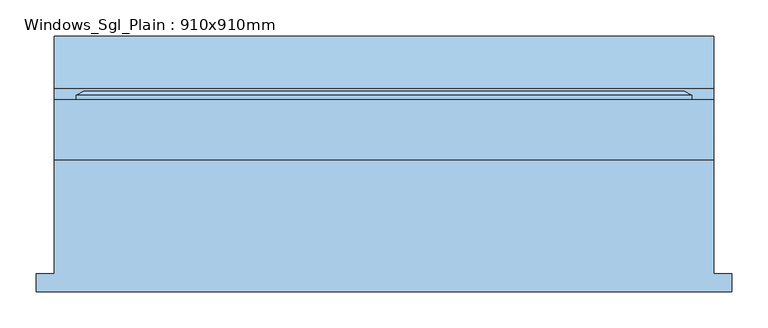
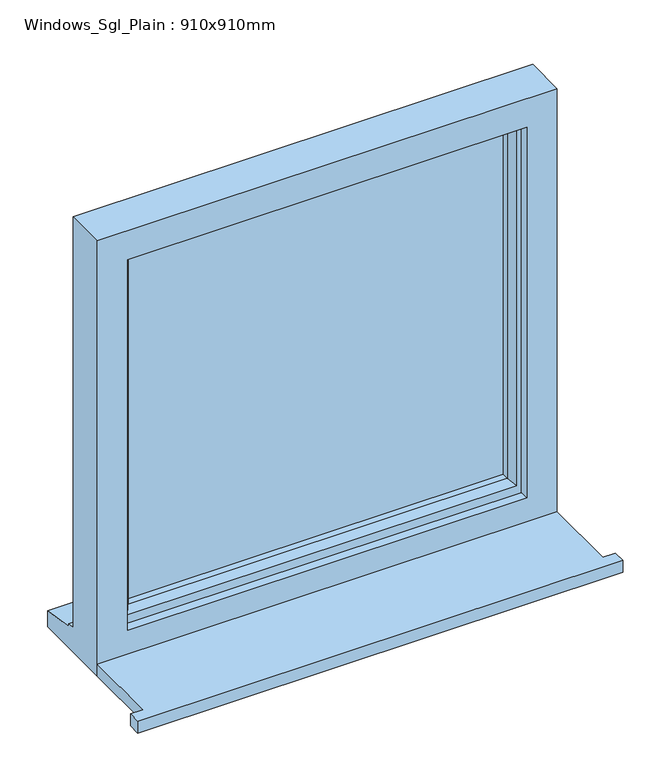
"""IFC4 building model written with IfcOpenShell, lengths in millimetres: window geometry, Windows_Sgl_Plain : 910x910mm."""

import ifcopenshell
import ifcopenshell.guid

model = None  # the IFC model being written
_history = None  # IfcOwnerHistory: only IFC2X3 demands one
_inside = {}  # id of a spatial element -> (the spatial element, [elements in it])
_under = {}  # id of a project, library or spatial element -> (it, [spatial elements below it])
_declared = {}  # id of a project -> (the project, [libraries it declares])
_typed = {}  # id of a type object -> (the type object, [elements of that type])
_made_of = {}  # id of a material, layer set ... -> (it, [elements and type objects made of it])


def new_model(schema):
    """Start an empty IFC model of exactly this schema.

    Asked for "IFC4X3", IfcOpenShell would pick the latest addendum, in which some entities
    have other attributes; the version numbers below select the first issue.
    IFC2X3 requires an IfcOwnerHistory on every rooted entity: one is made here for all.
    """
    global model, _history
    if schema == "IFC4X3":
        model = ifcopenshell.file(schema_version=(4, 3, 0, 0))
    else:
        model = ifcopenshell.file(schema=schema)
    _inside.clear()
    _under.clear()
    _declared.clear()
    _typed.clear()
    _made_of.clear()
    _history = None
    if model.schema == "IFC2X3":
        org = make("IfcOrganization", Name="unknown")
        user = make(
            "IfcPersonAndOrganization",
            ThePerson=make("IfcPerson", FamilyName="unknown"),
            TheOrganization=org,
        )
        app = make(
            "IfcApplication",
            ApplicationDeveloper=org,
            Version="unknown",
            ApplicationFullName="unknown",
            ApplicationIdentifier="unknown",
        )
        _history = make(
            "IfcOwnerHistory",
            OwningUser=user,
            OwningApplication=app,
            ChangeAction="ADDED",
            CreationDate=0,
        )
    return model


def make(cls, **values):
    """One entity of the class cls with the attributes given. An attribute that is None is left unset."""
    return model.create_entity(
        cls, **{name: value for name, value in values.items() if value is not None}
    )


def rooted(cls, **values):
    """An entity with a GlobalId (a new one), such as an element, a storey or a relation."""
    return make(cls, GlobalId=ifcopenshell.guid.new(), OwnerHistory=_history, **values)


def si_unit(unit_type, name, prefix=None):
    """IfcSIUnit, for example si_unit("LENGTHUNIT", "METRE", prefix="MILLI")."""
    return make("IfcSIUnit", UnitType=unit_type, Prefix=prefix, Name=name)


def assignment(units):
    """IfcUnitAssignment: the units of a project."""
    return None if units is None else make("IfcUnitAssignment", Units=units)


def point(xyz):
    """IfcCartesianPoint."""
    return None if xyz is None else make("IfcCartesianPoint", Coordinates=xyz)


def direction(xyz):
    """IfcDirection."""
    return None if xyz is None else make("IfcDirection", DirectionRatios=xyz)


def frame(location, z_axis=None, x_axis=None):
    """IfcAxis2Placement3D, a coordinate frame: its origin and axes. An axis left out is left unset."""
    return make(
        "IfcAxis2Placement3D",
        Location=point(location),
        Axis=direction(z_axis),
        RefDirection=direction(x_axis),
    )


def origin():
    """The frame at (0, 0, 0) with its axes left unset."""
    return frame((0.0, 0.0, 0.0))


def place(relative_to, where):
    """IfcLocalPlacement: puts the frame where relative to a parent placement (None: the world)."""
    return make(
        "IfcLocalPlacement", PlacementRelTo=relative_to, RelativePlacement=where
    )


def context(
    kind, dimensions, precision=None, world=None, true_north=None, identifier=None
):
    """IfcGeometricRepresentationContext, for example the 3D "Model" context."""
    return make(
        "IfcGeometricRepresentationContext",
        ContextIdentifier=identifier,
        ContextType=kind,
        CoordinateSpaceDimension=dimensions,
        Precision=precision,
        WorldCoordinateSystem=world,
        TrueNorth=true_north,
    )


def project(units=None, contexts=None):
    """IfcProject with its units and contexts."""
    return rooted(
        "IfcProject",
        Name="project",
        RepresentationContexts=contexts,
        UnitsInContext=assignment(units),
    )


def spatial(cls, under=None, at=None, **own):
    """A site, building, storey or space (cls), placed at a placement, below another one or the project."""
    s = rooted(cls, ObjectPlacement=at, **own)
    if under is not None:
        _under.setdefault(under.id(), (under, []))[1].append(s)
    return s


def polyline(points):
    """IfcPolyline through the points."""
    return make("IfcPolyline", Points=[point(p) for p in points])


def outline(outer, holes=None, kind="AREA"):
    """IfcArbitraryClosedProfileDef: a profile drawn as a closed curve; with holes, ...WithVoids."""
    if holes is None:
        return make("IfcArbitraryClosedProfileDef", ProfileType=kind, OuterCurve=outer)
    return make(
        "IfcArbitraryProfileDefWithVoids",
        ProfileType=kind,
        OuterCurve=outer,
        InnerCurves=holes,
    )


def extrude(swept, where, along, depth):
    """IfcExtrudedAreaSolid: the profile swept, set in the frame where, extruded along a direction by depth."""
    return make(
        "IfcExtrudedAreaSolid",
        SweptArea=swept,
        Position=where,
        ExtrudedDirection=direction(along),
        Depth=depth,
    )


def faces_of(points, faces, orient=None, outer=None):
    """IfcFace entities. A face is a list of loops; a loop is a list of indices into points, from 0.

    orient and outer hold one flag for each loop. By default every Orientation is true, the
    first loop of a face is its IfcFaceOuterBound and the others are IfcFaceBound.
    """
    made = []
    for i, loops in enumerate(faces):
        bounds = []
        for j, loop in enumerate(loops):
            is_outer = j == 0 if outer is None else outer[i][j]
            bounds.append(
                make(
                    "IfcFaceOuterBound" if is_outer else "IfcFaceBound",
                    Bound=make("IfcPolyLoop", Polygon=[points[k] for k in loop]),
                    Orientation=True if orient is None else orient[i][j],
                )
            )
        made.append(make("IfcFace", Bounds=bounds))
    return made


def faceted_brep(points, faces, orient=None, outer=None, voids=None):
    """IfcFacetedBrep: a solid bounded by flat faces; with voids (closed shells), ...WithVoids."""
    shared = [point(p) for p in points]
    hull = make("IfcClosedShell", CfsFaces=faces_of(shared, faces, orient, outer))
    if voids is None:
        return make("IfcFacetedBrep", Outer=hull)
    return make(
        "IfcFacetedBrepWithVoids",
        Outer=hull,
        Voids=[
            make(cls, CfsFaces=faces_of(shared, fs, o, b)) for cls, fs, o, b in voids
        ],
    )


def shape(context_of_items, identifier, shape_type, items):
    """IfcShapeRepresentation: the items that make up one representation, for example the "Body"."""
    return make(
        "IfcShapeRepresentation",
        ContextOfItems=context_of_items,
        RepresentationIdentifier=identifier,
        RepresentationType=shape_type,
        Items=items,
    )


def source(mapping_origin, context_of_items, identifier, shape_type, items):
    """IfcRepresentationMap: a shape defined once, which mapped items show again and again."""
    return make(
        "IfcRepresentationMap",
        MappingOrigin=mapping_origin,
        MappedRepresentation=shape(context_of_items, identifier, shape_type, items),
    )


def transform(
    local_origin,
    x_axis=None,
    y_axis=None,
    z_axis=None,
    scale=None,
    scale2=None,
    scale3=None,
    uniform=True,
):
    """IfcCartesianTransformationOperator3D, or its non-uniform kind. x_axis, y_axis, z_axis: its Axis1, 2, 3."""
    if uniform:
        return make(
            "IfcCartesianTransformationOperator3D",
            Axis1=direction(x_axis),
            Axis2=direction(y_axis),
            LocalOrigin=point(local_origin),
            Scale=scale,
            Axis3=direction(z_axis),
        )
    return make(
        "IfcCartesianTransformationOperator3DnonUniform",
        Axis1=direction(x_axis),
        Axis2=direction(y_axis),
        LocalOrigin=point(local_origin),
        Scale=scale,
        Axis3=direction(z_axis),
        Scale2=scale2,
        Scale3=scale3,
    )


def mapped(mapping_source, mapping_target):
    """IfcMappedItem: shows the shape of a source again, moved by a transform."""
    return make(
        "IfcMappedItem", MappingSource=mapping_source, MappingTarget=mapping_target
    )


def made_of(thing, what):
    """Note that an element or type object is made of a material, layer set ...; save() writes the relation."""
    if what is not None:
        _made_of.setdefault(what.id(), (what, []))[1].append(thing)
    return thing


def element(
    cls,
    number,
    at=None,
    inside=None,
    cuts=None,
    type_object=None,
    material=None,
    context=None,
    identifier="Body",
    shape_type=None,
    held_by="IfcProductDefinitionShape",
    body=None,
    shapes=None,
    **own,
):
    """One element of the class cls, such as IfcWall. Its Tag is "e" and its number.

    at: its placement. inside: the storey or other place that contains it. cuts: it is an
    opening in that element (IfcRelVoidsElement). A single representation is given by context,
    identifier, shape_type and body (its items); several are given by shapes. held_by: the class
    of the entity that holds the representations. save() writes the other relations.
    """
    e = rooted(cls, Tag="e%d" % number, ObjectPlacement=at, **own)
    if body is not None:
        shapes = [shape(context, identifier, shape_type, body)]
    if shapes is not None:
        e.Representation = make(held_by, Representations=shapes)
    if inside is not None:
        _inside.setdefault(inside.id(), (inside, []))[1].append(e)
    if cuts is not None:
        rooted(
            "IfcRelVoidsElement", RelatingBuildingElement=cuts, RelatedOpeningElement=e
        )
    if type_object is not None:
        _typed.setdefault(type_object.id(), (type_object, []))[1].append(e)
    return made_of(e, material)


def aggregate(whole, parts):
    """IfcRelAggregates: a whole, such as a stair, and the parts it consists of."""
    return rooted("IfcRelAggregates", RelatingObject=whole, RelatedObjects=parts)


def save(model, path):
    """Write the relations noted so far, then the file.

    IfcRelAggregates (storeys below a building ...), IfcRelContainedInSpatialStructure (elements
    in a storey), IfcRelDefinesByType, IfcRelAssociatesMaterial and IfcRelDeclares: one each for
    every whole, place, type object, material and project.
    """
    for whole, parts in _under.values():
        aggregate(whole, parts)
    for where, things in _inside.values():
        rooted(
            "IfcRelContainedInSpatialStructure",
            RelatedElements=things,
            RelatingStructure=where,
        )
    for kind, things in _typed.values():
        rooted("IfcRelDefinesByType", RelatedObjects=things, RelatingType=kind)
    for what, things in _made_of.values():
        rooted("IfcRelAssociatesMaterial", RelatedObjects=things, RelatingMaterial=what)
    for by, libraries in _declared.values():
        rooted("IfcRelDeclares", RelatingContext=by, RelatedDefinitions=libraries)
    model.write(path)


def windows_sgl_plain_910x910mm_b9caa461(model_context):
    return source(origin(), model_context, "Body", "SolidModel", [
        extrude(outline(polyline([(-480.0, -161.5434322), (-480.0, -136.5434322), (-455.0, -136.5434322), (-455.0, 20.4565678), (455.0, 20.4565678), (455.0, -136.5434322), (480.0, -136.5434322), (480.0, -161.5434322), (-480.0, -161.5434322)])), frame((0.0, 0.0, 1200.0), z_axis=(0.0, 0.0, 1.0), x_axis=(1.0, 0.0, 0.0)), (0.0, 0.0, 1.0), 25.0),
        faceted_brep([(-455.0, 20.4565678, 1200.0), (455.0, 20.4565678, 1200.0), (455.0, 20.4565678, 2110.0), (-455.0, 20.4565678, 2110.0), (-395.0, 20.4565678, 2050.0), (395.0, 20.4565678, 2050.0), (395.0, 20.4565678, 1275.0), (-395.0, 20.4565678, 1275.0), (-455.0, 103.4565678, 2110.0), (-455.0, 103.4565678, 1251.0), (-455.0, 118.4565678, 1249.68767), (-455.0, 118.4565678, 1244.7449676), (-455.0, 190.9565678, 1233.8088847), (-455.0, 190.9565678, 1200.0), (455.0, 103.4565678, 2110.0), (455.0, 103.4565678, 1251.0), (-415.0, 103.4565678, 2070.0), (-415.0, 103.4565678, 1263.0), (415.0, 103.4565678, 1263.0), (415.0, 103.4565678, 2070.0), (-415.0, 38.4565678, 2070.0), (-415.0, 38.4565678, 1263.0), (415.0, 38.4565678, 2070.0), (415.0, 38.4565678, 1263.0), (-395.0, 38.4565678, 2050.0), (-395.0, 38.4565678, 1275.0), (395.0, 38.4565678, 1275.0), (395.0, 38.4565678, 2050.0), (455.0, 190.9565678, 1200.0), (455.0, 190.9565678, 1233.8088847), (455.0, 118.4565678, 1244.7449676), (455.0, 118.4565678, 1249.68767)], [[[0, 1, 2, 3], [4, 5, 6, 7]], [[0, 3, 8, 9, 10, 11, 12, 13]], [[9, 8, 14, 15], [16, 17, 18, 19]], [[17, 16, 20, 21]], [[20, 22, 23, 21], [24, 25, 26, 27]], [[24, 4, 7, 25]], [[3, 2, 14, 8]], [[16, 19, 22, 20]], [[5, 4, 24, 27]], [[15, 14, 2, 1, 28, 29, 30, 31]], [[19, 18, 23, 22]], [[5, 27, 26, 6]], [[28, 1, 0, 13]], [[29, 28, 13, 12]], [[30, 29, 12, 11]], [[31, 30, 11, 10]], [[15, 31, 10, 9]], [[21, 23, 18, 17]], [[7, 6, 26, 25]]]),
        extrude(outline(polyline([(385.0, 67.4565678), (-385.0, 67.4565678), (-385.0, 91.4565678), (385.0, 91.4565678), (385.0, 67.4565678)])), frame((0.0, 0.0, 1293.0), z_axis=(0.0, 0.0, 1.0), x_axis=(1.0, 0.0, 0.0)), (0.0, 0.0, 1.0), 747.0),
        faceted_brep([(-425.0, 103.4565678, 2080.0), (-425.0, 109.2300705, 2080.0), (-425.0, 109.2300705, 1253.0), (-425.0, 103.4565678, 1253.0), (-415.0, 38.4565678, 2070.0), (-415.0, 103.4565678, 2070.0), (-415.0, 103.4565678, 1263.0), (-415.0, 38.4565678, 1263.0), (-375.0, 52.9494677, 2030.0), (-385.1480377, 38.4565678, 2040.1480377), (-385.1480377, 38.4565678, 1292.8519623), (-375.0, 52.9494677, 1303.0), (-375.0, 67.4565678, 2030.0), (-375.0, 67.4565678, 1303.0), (-385.0, 91.4565678, 2040.0), (-385.0, 67.4565678, 2040.0), (-385.0, 67.4565678, 1293.0), (-385.0, 91.4565678, 1293.0), (-375.0, 109.2300705, 2030.0), (-375.0, 91.4565678, 2030.0), (-375.0, 91.4565678, 1303.0), (-375.0, 109.2300705, 1303.0), (-392.4457548, 115.0035732, 2047.4457548), (-392.4457548, 115.0035732, 1285.5542452), (-414.2153903, 115.0035732, 2069.2153903), (-414.2153903, 115.0035732, 1263.7846097), (425.0, 109.2300705, 1253.0), (425.0, 103.4565678, 1253.0), (415.0, 103.4565678, 1263.0), (415.0, 38.4565678, 1263.0), (385.1480377, 38.4565678, 1292.8519623), (375.0, 52.9494677, 1303.0), (375.0, 67.4565678, 1303.0), (385.0, 67.4565678, 1293.0), (385.0, 91.4565678, 1293.0), (375.0, 91.4565678, 1303.0), (375.0, 109.2300705, 1303.0), (392.4457548, 115.0035732, 1285.5542452), (414.2153903, 115.0035732, 1263.7846097), (425.0, 109.2300705, 2080.0), (425.0, 103.4565678, 2080.0), (415.0, 103.4565678, 2070.0), (415.0, 38.4565678, 2070.0), (385.1480377, 38.4565678, 2040.1480377), (375.0, 52.9494677, 2030.0), (375.0, 67.4565678, 2030.0), (385.0, 67.4565678, 2040.0), (385.0, 91.4565678, 2040.0), (375.0, 91.4565678, 2030.0), (375.0, 109.2300705, 2030.0), (392.4457548, 115.0035732, 2047.4457548), (414.2153903, 115.0035732, 2069.2153903)], [[[0, 1, 2, 3]], [[4, 5, 6, 7]], [[8, 9, 10, 11]], [[12, 8, 11, 13]], [[14, 15, 16, 17]], [[18, 19, 20, 21]], [[22, 18, 21, 23]], [[1, 24, 25, 2]], [[3, 2, 26, 27]], [[7, 6, 28, 29]], [[11, 10, 30, 31]], [[13, 11, 31, 32]], [[17, 16, 33, 34]], [[21, 20, 35, 36]], [[23, 21, 36, 37]], [[2, 25, 38, 26]], [[27, 26, 39, 40]], [[29, 28, 41, 42]], [[31, 30, 43, 44]], [[32, 31, 44, 45]], [[34, 33, 46, 47]], [[36, 35, 48, 49]], [[37, 36, 49, 50]], [[26, 38, 51, 39]], [[40, 39, 1, 0]], [[3, 27, 40, 0], [5, 41, 28, 6]], [[42, 41, 5, 4]], [[7, 29, 42, 4], [9, 43, 30, 10]], [[44, 43, 9, 8]], [[45, 44, 8, 12]], [[15, 46, 33, 16], [13, 32, 45, 12]], [[47, 46, 15, 14]], [[17, 34, 47, 14], [19, 48, 35, 20]], [[49, 48, 19, 18]], [[50, 49, 18, 22]], [[24, 51, 38, 25], [23, 37, 50, 22]], [[39, 51, 24, 1]]]),
    ])


if __name__ == "__main__":
    model = new_model("IFC4")
    model_context = context("Model", 3, world=origin())
    ifc_project = project(units=[si_unit("LENGTHUNIT", "METRE", prefix="MILLI")], contexts=[model_context])
    site = spatial("IfcSite", under=ifc_project)
    building = spatial("IfcBuilding", under=site)
    placement = place(None, origin())
    windows_sgl_plain_910x910mm_shape = windows_sgl_plain_910x910mm_b9caa461(model_context)
    element("IfcWindow", 1, ObjectType="Windows_Sgl_Plain : 910x910mm", at=placement, inside=building, context=model_context, shape_type="MappedRepresentation", body=[
        mapped(windows_sgl_plain_910x910mm_shape, transform((0.0, 0.0, 0.0), x_axis=(1.0, 0.0, 0.0), y_axis=(0.0, 1.0, 0.0), z_axis=(0.0, 0.0, 1.0))),
    ])
    save(model, "model.ifc")
